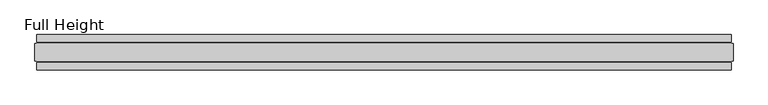
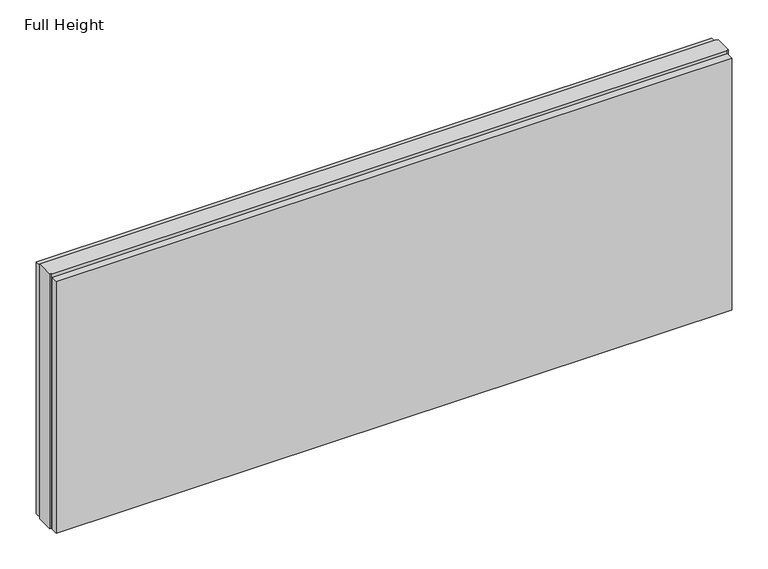
"""IFC4 building model written with IfcOpenShell, lengths in millimetres: plate geometry, Full Height."""

from ifc_helpers import new_model, si_unit, origin, origin_with_axes, place, context, project, spatial, polyline, outline, extrude, source, transform, mapped, element, save


def full_height_928bfc30(model_context):
    return source(origin(), model_context, "Body", "SweptSolid", [
        extrude(outline(polyline([(977.5613333, 28.956), (-977.5613333, 28.956), (-977.5613333, 49.53), (977.5613333, 49.53), (977.5613333, 28.956)])), origin_with_axes(), (0.0, 0.0, 1.0), 771.652),
        extrude(outline(polyline([(977.5613333, -28.956), (977.5613333, -49.53), (-977.5613333, -49.53), (-977.5613333, -28.956), (977.5613333, -28.956)])), origin_with_axes(), (0.0, 0.0, 1.0), 771.652),
        extrude(outline(polyline([(977.5613333, -25.146), (977.5613333, -26.67), (-977.5613333, -26.67), (-977.5613333, -25.146), (-982.1333333, -25.146), (-982.1333333, 25.146), (-977.5613333, 25.146), (-977.5613333, 26.67), (977.5613333, 26.67), (977.5613333, 25.146), (982.1333333, 25.146), (982.1333333, -25.146), (977.5613333, -25.146)])), origin_with_axes(), (0.0, 0.0, 1.0), 780.796),
    ])


if __name__ == "__main__":
    model = new_model("IFC4")
    model_context = context("Model", 3, world=origin())
    ifc_project = project(units=[si_unit("LENGTHUNIT", "METRE", prefix="MILLI")], contexts=[model_context])
    site = spatial("IfcSite", under=ifc_project)
    building = spatial("IfcBuilding", under=site)
    placement = place(None, origin())
    full_height_shape = full_height_928bfc30(model_context)
    element("IfcPlate", 1, ObjectType="Full Height", at=placement, inside=building, context=model_context, shape_type="MappedRepresentation", body=[
        mapped(full_height_shape, transform((0.0, 0.0, 0.0), x_axis=(1.0, 0.0, 0.0), y_axis=(0.0, 1.0, 0.0), z_axis=(0.0, 0.0, 1.0))),
    ])
    save(model, "model.ifc")
